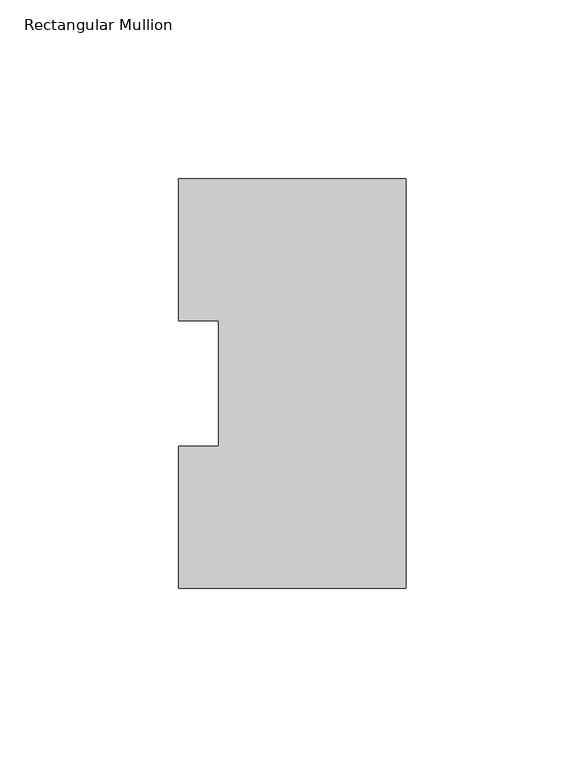
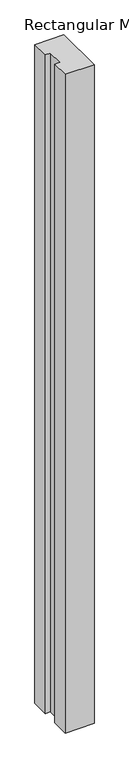
"""IFC4 building model written with IfcOpenShell, lengths in millimetres: member geometry, Rectangular Mullion."""

from ifc_helpers import new_model, si_unit, frame, origin, place, context, project, spatial, polyline, outline, extrude, source, transform, mapped, element, save


def rectangular_mullion_26a81973(model_context):
    return source(origin(), model_context, "Body", "SweptSolid", [
        extrude(outline(polyline([(-63.5, 114.271425), (0.0, 114.271425), (0.0, -0.028575), (-63.5, -0.028575), (-63.5, 39.646225), (-52.3875, 39.646225), (-52.3875, 74.596625), (-63.5, 74.596625), (-63.5, 114.271425)])), frame((0.0, 0.0, -1524.0), z_axis=(0.0, 0.0, 1.0), x_axis=(1.0, 0.0, 0.0)), (0.0, 0.0, 1.0), 1524.0),
    ])


if __name__ == "__main__":
    model = new_model("IFC4")
    model_context = context("Model", 3, world=origin())
    ifc_project = project(units=[si_unit("LENGTHUNIT", "METRE", prefix="MILLI")], contexts=[model_context])
    site = spatial("IfcSite", under=ifc_project)
    building = spatial("IfcBuilding", under=site)
    placement = place(None, origin())
    rectangular_mullion_shape = rectangular_mullion_26a81973(model_context)
    element("IfcMember", 1, ObjectType="Rectangular Mullion", at=placement, inside=building, context=model_context, shape_type="MappedRepresentation", body=[
        mapped(rectangular_mullion_shape, transform((0.0, 0.0, 0.0), x_axis=(1.0, 0.0, 0.0), y_axis=(0.0, 1.0, 0.0), z_axis=(0.0, 0.0, 1.0))),
    ])
    save(model, "model.ifc")
